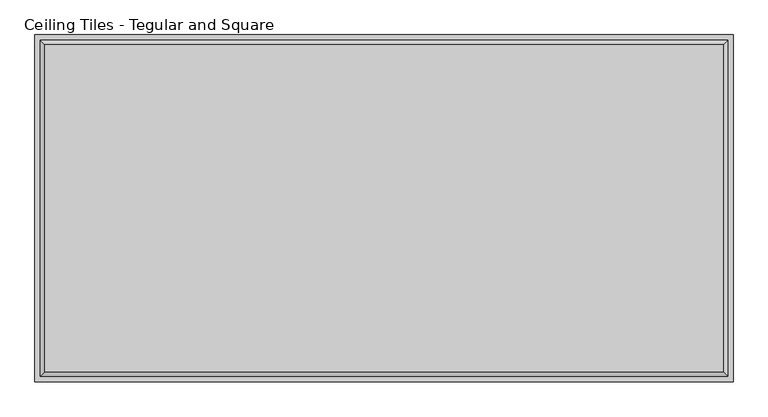
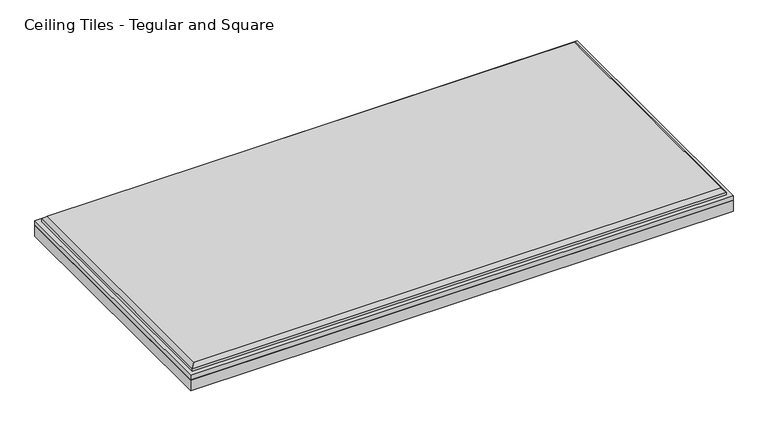
"""IFC4 building model written with IfcOpenShell, lengths in millimetres: proxy geometry, Ceiling Tiles - Tegular and Square."""

from ifc_helpers import new_model, si_unit, origin, origin_with_axes, place, context, project, spatial, polyline, outline, extrude, faceted_brep, source, transform, mapped, element, save


def ceiling_tiles_tegular_and_square_dc327e59(model_context):
    return source(origin(), model_context, "Body", "SolidModel", [
        extrude(outline(polyline([(606.425, 301.625), (606.425, -301.625), (-606.425, -301.625), (-606.425, 301.625), (606.425, 301.625)])), origin_with_axes(), (0.0, 0.0, 1.0), 25.4),
        faceted_brep([(588.899, 284.099, 50.8), (-588.899, 284.099, 50.8), (-588.899, -284.099, 50.8), (588.899, -284.099, 50.8), (-606.425, 301.625, 25.4), (606.425, 301.625, 25.4), (606.425, -301.625, 25.4), (-606.425, -301.625, 25.4), (-606.425, -301.625, 36.5125), (-606.425, 301.625, 36.5125), (606.425, -301.625, 36.5125), (606.425, 301.625, 36.5125), (596.9, 292.1, 42.799), (-596.9, 292.1, 42.799), (-596.9, -292.1, 42.799), (596.9, -292.1, 42.799), (596.9, 292.1, 36.5125), (-596.9, 292.1, 36.5125), (-596.9, -292.1, 36.5125), (596.9, -292.1, 36.5125)], [[[0, 1, 2, 3]], [[4, 5, 6, 7]], [[4, 7, 8, 9]], [[7, 6, 10, 8]], [[6, 5, 11, 10]], [[5, 4, 9, 11]], [[12, 13, 1, 0]], [[1, 13, 14, 2]], [[2, 14, 15, 3]], [[12, 0, 3, 15]], [[16, 17, 13, 12]], [[13, 17, 18, 14]], [[14, 18, 19, 15]], [[16, 12, 15, 19]], [[9, 8, 10, 11], [17, 16, 19, 18]]]),
    ])


if __name__ == "__main__":
    model = new_model("IFC4")
    model_context = context("Model", 3, world=origin())
    ifc_project = project(units=[si_unit("LENGTHUNIT", "METRE", prefix="MILLI")], contexts=[model_context])
    site = spatial("IfcSite", under=ifc_project)
    building = spatial("IfcBuilding", under=site)
    placement = place(None, origin())
    ceiling_tiles_tegular_and_square_shape = ceiling_tiles_tegular_and_square_dc327e59(model_context)
    element("IfcBuildingElementProxy", 1, Name="Ceiling Tiles - Tegular and Square", ObjectType="Ceiling Tiles - Tegular and Square", at=placement, inside=building, context=model_context, shape_type="MappedRepresentation", body=[
        mapped(ceiling_tiles_tegular_and_square_shape, transform((0.0, 0.0, 0.0), x_axis=(1.0, 0.0, 0.0), y_axis=(0.0, 1.0, 0.0), z_axis=(0.0, 0.0, 1.0))),
    ])
    save(model, "model.ifc")
